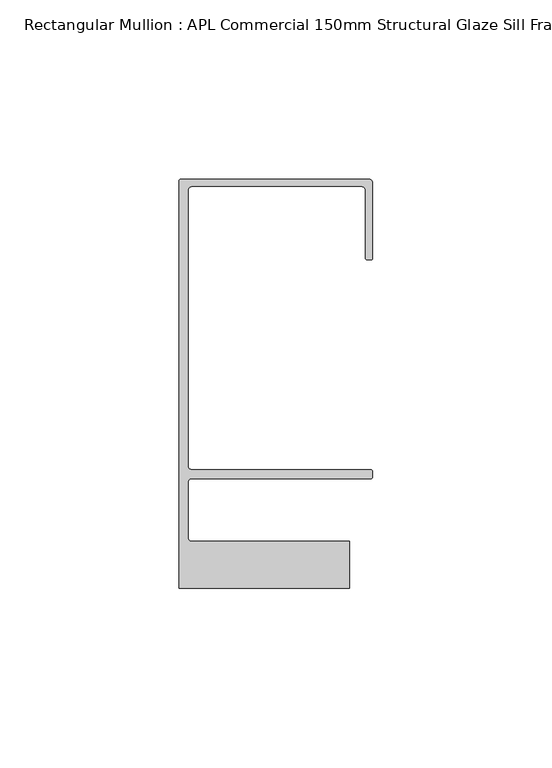
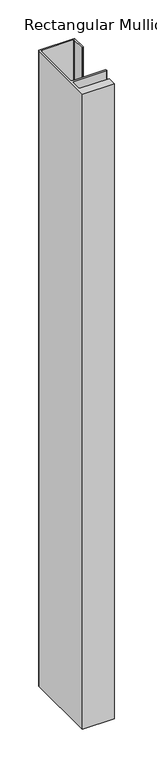
"""IFC4 building model written with IfcOpenShell, lengths in millimetres: member geometry, Rectangular Mullion : APL Commercial 150mm Structural Glaze Sill Frame (Back)."""

from ifc_helpers import new_model, si_unit, frame, origin, place, context, project, spatial, polyline, circle_curve, source, transform, mapped, element, save
from ifc_brep_helpers import plane_surface, cylinder_surface, revolved_surface, advanced_brep


def rectangular_mullion_apl_commercial_150mm_structural_glaze_9701a8a5(model_context):
    return source(origin(), model_context, "Body", "AdvancedBrep", [
        advanced_brep(
        [(-53.5000083, 129.0001071, 0.0), (-54.0000083, 128.5001071, 0.0), (-54.0000083, 15.0004332, 0.0), (-6.5000083, 15.0004332, 0.0), (-6.5000083, 28.0004332, 0.0), (-50.500032, 28.0004332, 0.0), (-51.500032, 29.0004332, 0.0), (-51.500032, 44.4999541, 0.0), (-50.500032, 45.4999541, 0.0), (-0.521387, 45.4999541, 0.0), (-5.4e-06, 46.0213357, 0.0), (-5.4e-06, 47.5021598, 0.0), (-0.5000012, 48.000115, 0.0), (-50.482081, 48.000115, 0.0), (-51.5000225, 48.9999541, 0.0), (-51.5000225, 126.00011, 0.0), (-50.5000083, 127.00011, 0.0), (-2.9999982, 127.00011, 0.0), (-1.9999982, 126.0001071, 0.0), (-1.9999982, 107.0001071, 0.0), (-1.4999822, 106.5001071, 0.0), (-0.5, 106.5001071, 0.0), (0.0, 107.0001071, 0.0), (0.0, 128.0001071, 0.0), (-1.0000079, 129.0001071, 0.0), (-53.5000083, 129.0001071, -1007.0000086), (-1.0000079, 129.0001071, -1007.0000086), (-7.9e-06, 128.0001071, -1007.0000086), (0.0, 107.0001071, -1007.0000086), (-0.5, 106.5001071, -1007.0000086), (-1.4999822, 106.5001071, -1007.0000086), (-1.9999822, 107.0001071, -1007.0000086), (-1.9999982, 126.0001071, -1007.0000086), (-2.9999982, 127.0001071, -1007.0000086), (-50.5000083, 127.00011, -1007.0000086), (-51.5000083, 126.00011, -1007.0000086), (-51.5000225, 48.9999541, -1007.0000086), (-50.482081, 48.000115, -1007.0000086), (-0.5000012, 48.000115, -1007.0000086), (-5.4e-06, 47.5021598, -1007.0000086), (-5.4e-06, 46.0213357, -1007.0000086), (-0.521387, 45.4999541, -1007.0000086), (-50.500032, 45.4999541, -1007.0000086), (-51.500032, 44.4999541, -1007.0000086), (-51.500032, 29.0004332, -1007.0000086), (-50.500032, 28.0004332, -1007.0000086), (-6.5000083, 28.0004332, -1007.0000086), (-6.5000083, 15.0004332, -1007.0000086), (-54.0000083, 15.0004332, -1007.0000086), (-54.0000083, 128.5001071, -1007.0000086)],
        [
            (0, 1, circle_curve(frame((-53.5000083, 128.5001071, 0.0), z_axis=(0.0, 0.0, 1.0), x_axis=(0.0, 1.0, 0.0)), 0.5)),
            (1, 2),
            (2, 3),
            (3, 4),
            (4, 5),
            (5, 6, circle_curve(frame((-50.500032, 29.0004332, 0.0), z_axis=(0.0, 0.0, -1.0), x_axis=(0.0, -1.0, 0.0)), 1.0)),
            (6, 7),
            (7, 8, circle_curve(frame((-50.500032, 44.4999541, 0.0), z_axis=(0.0, 0.0, -1.0), x_axis=(-0.9999999999998819, 4.863123717036027e-07, 0.0)), 1.0)),
            (8, 9),
            (9, 10, circle_curve(frame((-0.521387, 46.0213357, 0.0), z_axis=(0.0, 0.0, 1.0), x_axis=(-1.0, 0.0, 0.0)), 0.5213816)),
            (10, 11),
            (11, 12, circle_curve(frame((-0.5000012, 47.500115, 0.0), z_axis=(0.0, 0.0, 1.0), x_axis=(0.9999999999999991, -4.5120271963110614e-08, 0.0)), 0.5)),
            (12, 13),
            (13, 14, circle_curve(frame((-50.5000225, 48.9999541, 0.0), z_axis=(0.0, 0.0, -1.0), x_axis=(3.5344775231070867e-06, -0.9999999999937538, 0.0)), 1.0)),
            (14, 15),
            (15, 16, circle_curve(frame((-50.5000083, 126.00011, 0.0), z_axis=(0.0, 0.0, -1.0), x_axis=(-1.0, 3.636202450239078e-12, 0.0)), 1.0)),
            (16, 17),
            (17, 18, circle_curve(frame((-2.9999982, 126.0001071, 0.0), z_axis=(0.0, 0.0, -1.0), x_axis=(0.0, 1.0, 0.0)), 1.0)),
            (18, 19),
            (19, 20, circle_curve(frame((-1.4999822, 107.0001071, 0.0), z_axis=(0.0, 0.0, 1.0), x_axis=(-1.0, -1.039279773351609e-08, 0.0)), 0.5)),
            (20, 21),
            (21, 22, circle_curve(frame((-0.5, 107.0001071, 0.0), z_axis=(0.0, 0.0, 1.0), x_axis=(0.0, -1.0, 0.0)), 0.5)),
            (22, 23),
            (23, 24, circle_curve(frame((-1.0000079, 128.0001071, 0.0), z_axis=(0.0, 0.0, 1.0), x_axis=(0.9999999999996143, 8.78371761103865e-07, 0.0)), 1.0)),
            (24, 0),
            (25, 26),
            (26, 27, circle_curve(frame((-1.0000079, 128.0001071, -1007.0000086), z_axis=(0.0, 0.0, -1.0), x_axis=(0.9999999999996143, 8.78371761103865e-07, 0.0)), 1.0)),
            (27, 28),
            (28, 29, circle_curve(frame((-0.5, 107.0001071, -1007.0000086), z_axis=(0.0, 0.0, -1.0), x_axis=(0.0, -1.0, 0.0)), 0.5)),
            (29, 30),
            (30, 31, circle_curve(frame((-1.4999822, 107.0001071, -1007.0000086), z_axis=(0.0, 0.0, -1.0), x_axis=(-1.0, -1.039279773351609e-08, 0.0)), 0.5)),
            (31, 32),
            (32, 33, circle_curve(frame((-2.9999982, 126.0001071, -1007.0000086), z_axis=(0.0, 0.0, 1.0), x_axis=(0.0, 1.0, 0.0)), 1.0)),
            (33, 34),
            (34, 35, circle_curve(frame((-50.5000083, 126.00011, -1007.0000086), z_axis=(0.0, 0.0, 1.0), x_axis=(-1.0, 3.636202450239078e-12, 0.0)), 1.0)),
            (35, 36),
            (36, 37, circle_curve(frame((-50.5000225, 48.9999541, -1007.0000086), z_axis=(0.0, 0.0, 1.0), x_axis=(3.5344775231070867e-06, -0.9999999999937538, 0.0)), 1.0)),
            (37, 38),
            (38, 39, circle_curve(frame((-0.5000012, 47.500115, -1007.0000086), z_axis=(0.0, 0.0, -1.0), x_axis=(0.9999999999999991, -4.5120271963110614e-08, 0.0)), 0.5)),
            (39, 40),
            (40, 41, circle_curve(frame((-0.521387, 46.0213357, -1007.0000086), z_axis=(0.0, 0.0, -1.0), x_axis=(-1.0, 0.0, 0.0)), 0.5213816)),
            (41, 42),
            (42, 43, circle_curve(frame((-50.500032, 44.4999541, -1007.0000086), z_axis=(0.0, 0.0, 1.0), x_axis=(-0.9999999999998819, 4.863123717036027e-07, 0.0)), 1.0)),
            (43, 44),
            (44, 45, circle_curve(frame((-50.500032, 29.0004332, -1007.0000086), z_axis=(0.0, 0.0, 1.0), x_axis=(0.0, -1.0, 0.0)), 1.0)),
            (45, 46),
            (46, 47),
            (47, 48),
            (48, 49),
            (49, 25, circle_curve(frame((-53.5000083, 128.5001071, -1007.0000086), z_axis=(0.0, 0.0, -1.0), x_axis=(0.0, 1.0, 0.0)), 0.5)),
            (0, 25),
            (49, 1),
            (48, 2),
            (47, 3),
            (46, 4),
            (45, 5),
            (44, 6),
            (43, 7),
            (42, 8),
            (41, 9),
            (40, 10),
            (39, 11),
            (38, 12),
            (37, 13),
            (36, 14),
            (35, 15),
            (34, 16),
            (33, 17),
            (32, 18),
            (31, 19),
            (30, 20),
            (29, 21),
            (28, 22),
            (27, 23),
            (26, 24),
        ],
        [
            plane_surface(frame((0.0, -139.6548314, 0.0), z_axis=(0.0, 0.0, 1.0), x_axis=(-1.0, 0.0, 0.0))),
            plane_surface(frame((0.0, -139.6548314, -1007.0000086), z_axis=(0.0, 0.0, -1.0), x_axis=(-1.0, 0.0, 0.0))),
            cylinder_surface(frame((-53.5000083, 128.5001071, 0.0), z_axis=(0.0, 0.0, 1.0), x_axis=(0.0, 1.0, 0.0)), 0.5),
            plane_surface(frame((-54.0000083, 128.5001071, 0.0), z_axis=(-1.0, 0.0, 0.0), x_axis=(0.0, 0.0, -1.0))),
            plane_surface(frame((-54.0000083, 15.0004332, 0.0), z_axis=(0.0, -1.0, 0.0), x_axis=(0.0, 0.0, -1.0))),
            plane_surface(frame((-6.5000083, 15.0004332, 0.0), z_axis=(1.0, 0.0, 0.0), x_axis=(0.0, 0.0, -1.0))),
            plane_surface(frame((-6.5000083, 28.0004332, 0.0), z_axis=(0.0, 1.0, 0.0), x_axis=(0.0, 0.0, -1.0))),
            revolved_surface(polyline([(-50.500032, 28.0004332, -1007.0000086), (-50.500032, 28.0004332, 0.0)]), (-50.500032, 29.0004332, 0.0), (0.0, 0.0, -1.0)),
            plane_surface(frame((-51.500032, 29.0004332, 0.0), z_axis=(1.0, 0.0, 0.0), x_axis=(0.0, 0.0, -1.0))),
            revolved_surface(polyline([(-51.50003199999988, 44.49995458631237, -1007.0000086000005), (-51.50003199999988, 44.49995458631237, 0.0)]), (-50.500032, 44.4999541, 0.0), (0.0, 0.0, -1.0000000000000002)),
            plane_surface(frame((-50.500032, 45.4999541, 0.0), z_axis=(0.0, -1.0, 0.0), x_axis=(0.0, 0.0, -1.0))),
            cylinder_surface(frame((-0.521387, 46.0213357, 0.0), z_axis=(0.0, 0.0, 1.0), x_axis=(-1.0, 0.0, 0.0)), 0.5213816),
            plane_surface(frame((-5.4e-06, 46.0213357, 0.0), z_axis=(1.0, 0.0, 0.0), x_axis=(0.0, 0.0, -1.0))),
            cylinder_surface(frame((-0.5000012, 47.500115, 0.0), z_axis=(0.0, 0.0, 1.0000000000000002), x_axis=(0.9999999999999991, -4.5120271963110614e-08, 0.0)), 0.5),
            plane_surface(frame((-0.5000012, 48.000115, 0.0), z_axis=(0.0, 1.0, 0.0), x_axis=(0.0, 0.0, -1.0))),
            revolved_surface(polyline([(-50.50001896552248, 47.99995410000624, -1007.0000086), (-50.50001896552248, 47.99995410000624, 0.0)]), (-50.5000225, 48.9999541, 0.0), (0.0, 0.0, -1.0)),
            plane_surface(frame((-51.5000225, 48.9999541, 0.0), z_axis=(1.0, 0.0, 0.0), x_axis=(0.0, 0.0, -1.0))),
            revolved_surface(polyline([(-51.5000083, 126.00011000000364, -1007.0000086), (-51.5000083, 126.00011000000364, 0.0)]), (-50.5000083, 126.00011, 0.0), (0.0, 0.0, -1.0)),
            plane_surface(frame((-50.5000083, 127.00011, 0.0), z_axis=(0.0, -1.0, 0.0), x_axis=(0.0, 0.0, -1.0))),
            revolved_surface(polyline([(-2.9999982, 127.0001071, -1007.0000086), (-2.9999982, 127.0001071, 0.0)]), (-2.9999982, 126.0001071, 0.0), (0.0, 0.0, -1.0)),
            plane_surface(frame((-1.9999982, 126.0001071, 0.0), z_axis=(-1.0, 0.0, 0.0), x_axis=(0.0, 0.0, -1.0))),
            cylinder_surface(frame((-1.4999822, 107.0001071, 0.0), z_axis=(0.0, 0.0, 1.0), x_axis=(-1.0, -1.039279773351609e-08, 0.0)), 0.5),
            plane_surface(frame((-1.4999822, 106.5001071, 0.0), z_axis=(0.0, -1.0, 0.0), x_axis=(0.0, 0.0, -1.0))),
            cylinder_surface(frame((-0.5, 107.0001071, 0.0), z_axis=(0.0, 0.0, 1.0), x_axis=(0.0, -1.0, 0.0)), 0.5),
            plane_surface(frame((0.0, 107.0001071, 0.0), z_axis=(1.0, 0.0, 0.0), x_axis=(0.0, 0.0, -1.0))),
            cylinder_surface(frame((-1.0000079, 128.0001071, 0.0), z_axis=(0.0, 0.0, 1.0000000000000002), x_axis=(0.9999999999996143, 8.78371761103865e-07, 0.0)), 1.0),
            plane_surface(frame((-1.0000079, 129.0001071, 0.0), z_axis=(0.0, 1.0, 0.0), x_axis=(0.0, 0.0, -1.0))),
        ],
        [
            (0, [[1, 2, 3, 4, 5, 6, 7, 8, 9, 10, 11, 12, 13, 14, 15, 16, 17, 18, 19, 20, 21, 22, 23, 24, 25]]),
            (1, [[26, 27, 28, 29, 30, 31, 32, 33, 34, 35, 36, 37, 38, 39, 40, 41, 42, 43, 44, 45, 46, 47, 48, 49, 50]]),
            (2, [[-1, 51, -50, 52]]),
            (3, [[-2, -52, -49, 53]]),
            (4, [[-3, -53, -48, 54]]),
            (5, [[-4, -54, -47, 55]]),
            (6, [[-5, -55, -46, 56]]),
            (7, [[-6, -56, -45, 57]]),
            (8, [[-7, -57, -44, 58]]),
            (9, [[-8, -58, -43, 59]]),
            (10, [[-9, -59, -42, 60]]),
            (11, [[-10, -60, -41, 61]]),
            (12, [[-11, -61, -40, 62]]),
            (13, [[-12, -62, -39, 63]]),
            (14, [[-13, -63, -38, 64]]),
            (15, [[-14, -64, -37, 65]]),
            (16, [[-15, -65, -36, 66]]),
            (17, [[-16, -66, -35, 67]]),
            (18, [[-17, -67, -34, 68]]),
            (19, [[-18, -68, -33, 69]]),
            (20, [[-19, -69, -32, 70]]),
            (21, [[-20, -70, -31, 71]]),
            (22, [[-21, -71, -30, 72]]),
            (23, [[-22, -72, -29, 73]]),
            (24, [[-23, -73, -28, 74]]),
            (25, [[-24, -74, -27, 75]]),
            (26, [[-25, -75, -26, -51]]),
        ],
    ),
    ])


if __name__ == "__main__":
    model = new_model("IFC4")
    model_context = context("Model", 3, world=origin())
    ifc_project = project(units=[si_unit("LENGTHUNIT", "METRE", prefix="MILLI")], contexts=[model_context])
    site = spatial("IfcSite", under=ifc_project)
    building = spatial("IfcBuilding", under=site)
    placement = place(None, origin())
    rectangular_mullion_apl_commercial_150mm_structural_glaze_shape = rectangular_mullion_apl_commercial_150mm_structural_glaze_9701a8a5(model_context)
    element("IfcMember", 1, ObjectType="Rectangular Mullion : APL Commercial 150mm Structural Glaze Sill Frame (Back)", at=placement, inside=building, context=model_context, shape_type="MappedRepresentation", body=[
        mapped(rectangular_mullion_apl_commercial_150mm_structural_glaze_shape, transform((0.0, 0.0, 0.0), x_axis=(1.0, 0.0, 0.0), y_axis=(0.0, 1.0, 0.0), z_axis=(0.0, 0.0, 1.0))),
    ])
    save(model, "model.ifc")
